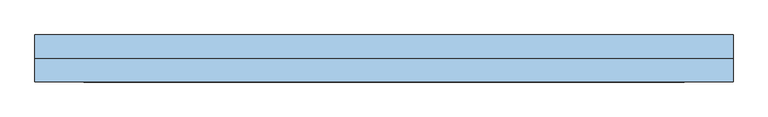
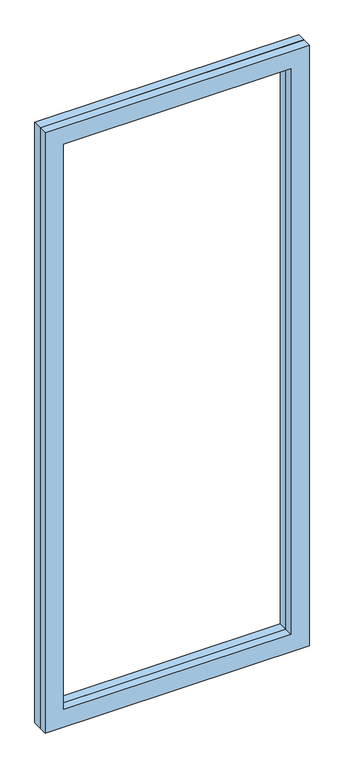
"""IFC4 building model written with IfcOpenShell, lengths in millimetres: window geometry."""

from ifc_helpers import new_model, si_unit, frame, origin, place, context, project, spatial, polyline, outline, extrude, source, transform, mapped, element, save


def window_3776fce6(model_context):
    return source(origin(), model_context, "Body", "SweptSolid", [
        extrude(outline(polyline([(2399.5, -499.75), (0.0, -499.75), (0.0, 499.75), (2399.5, 499.75), (2399.5, -499.75)]), holes=[polyline([(70.0, -429.75), (2329.5, -429.75), (2329.5, 429.75), (70.0, 429.75), (70.0, -429.75)])]), frame((0.0, 58.5, 0.0), z_axis=(0.0, 1.0, 0.0), x_axis=(0.0, 0.0, 1.0)), (0.0, 0.0, 1.0), 33.5),
        extrude(outline(polyline([(2399.5, -499.75), (0.0, -499.75), (0.0, 499.75), (2399.5, 499.75), (2399.5, -499.75)]), holes=[polyline([(70.0, -429.75), (2329.5, -429.75), (2329.5, 429.75), (70.0, 429.75), (70.0, -429.75)])]), frame((0.0, 25.0, 0.0), z_axis=(0.0, 1.0, 0.0), x_axis=(0.0, 0.0, 1.0)), (0.0, 0.0, 1.0), 33.5),
    ])


if __name__ == "__main__":
    model = new_model("IFC4")
    model_context = context("Model", 3, world=origin())
    ifc_project = project(units=[si_unit("LENGTHUNIT", "METRE", prefix="MILLI")], contexts=[model_context])
    site = spatial("IfcSite", under=ifc_project)
    building = spatial("IfcBuilding", under=site)
    placement = place(None, origin())
    window_shape = window_3776fce6(model_context)
    element("IfcWindow", 1, at=placement, inside=building, context=model_context, shape_type="MappedRepresentation", body=[
        mapped(window_shape, transform((0.0, 0.0, 0.0), x_axis=(1.0, 0.0, 0.0), y_axis=(0.0, 1.0, 0.0), z_axis=(0.0, 0.0, 1.0))),
    ])
    save(model, "model.ifc")
